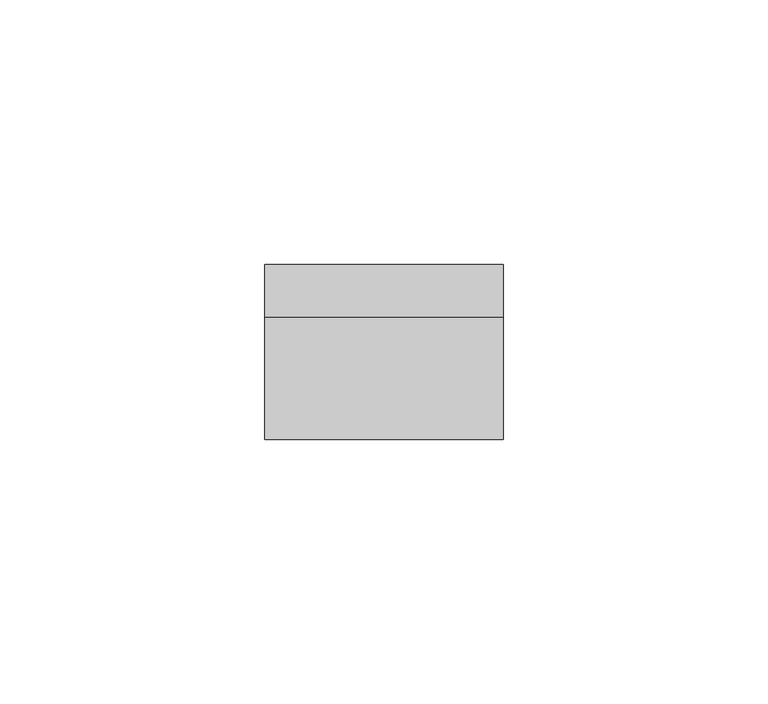
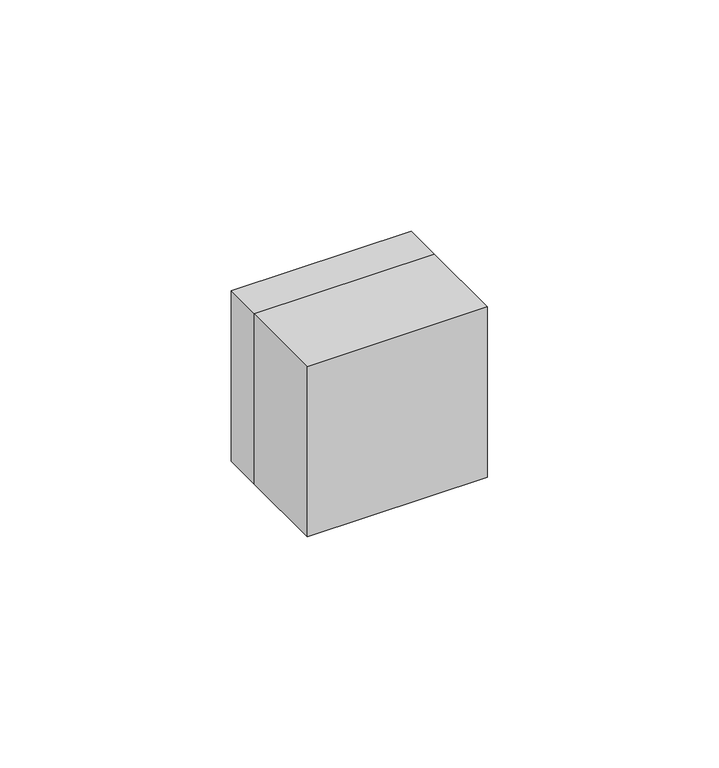
"""IFC4 building model written with IfcOpenShell, lengths in millimetres: electric appliance geometry."""

from ifc_helpers import new_model, si_unit, point, frame, origin, origin_2d, place, context, project, spatial, polyline, circle_curve, trimmed, segment, composite_curve, outline, extrude, source, transform, mapped, element, save


def electric_appliance_14777e9d(model_context):
    return source(origin(), model_context, "Body", "SweptSolid", [
        extrude(outline(composite_curve([segment(trimmed(circle_curve(origin_2d(), 1.9), [point((0.0, 1.9))], [point((0.0, -1.9))], False, "CARTESIAN"), True, "CONTINUOUS"), segment(trimmed(circle_curve(origin_2d(), 1.9), [point((0.0, -1.9))], [point((0.0, 1.9))], False, "CARTESIAN"), True, "CONTINUOUS")], self_intersect=False), holes=[composite_curve([segment(trimmed(circle_curve(origin_2d(), 1.6), [point((0.0, -1.6))], [point((0.0, 1.6))], True, "CARTESIAN"), True, "CONTINUOUS"), segment(trimmed(circle_curve(origin_2d(), 1.6), [point((0.0, 1.6))], [point((0.0, -1.6))], True, "CARTESIAN"), True, "CONTINUOUS")], self_intersect=False)]), frame((0.0, 0.0, 0.0), z_axis=(0.0, 1.0, 0.0), x_axis=(0.0, 0.0, 1.0)), (0.0, 0.0, 1.0), 10.0),
        extrude(outline(composite_curve([segment(trimmed(circle_curve(origin_2d(), 5.8), [point((0.0, 5.8))], [point((0.0, -5.8))], False, "CARTESIAN"), True, "CONTINUOUS"), segment(trimmed(circle_curve(origin_2d(), 5.8), [point((0.0, -5.8))], [point((0.0, 5.8))], False, "CARTESIAN"), True, "CONTINUOUS")], self_intersect=False), holes=[composite_curve([segment(trimmed(circle_curve(origin_2d(), 5.5), [point((0.0, 5.5))], [point((0.0, -5.5))], True, "CARTESIAN"), True, "CONTINUOUS"), segment(trimmed(circle_curve(origin_2d(), 5.5), [point((0.0, -5.5))], [point((0.0, 5.5))], True, "CARTESIAN"), True, "CONTINUOUS")], self_intersect=False)]), frame((0.0, 0.0, 0.0), z_axis=(0.0, 1.0, 0.0), x_axis=(0.0, 0.0, 1.0)), (0.0, 0.0, 1.0), 10.0),
        extrude(outline(polyline([(22.5, -23.0), (-22.5, -23.0), (-22.5, 0.0), (22.5, 0.0), (22.5, -23.0)])), frame((0.0, 0.0, -22.5), z_axis=(0.0, 0.0, 1.0), x_axis=(1.0, 0.0, 0.0)), (0.0, 0.0, 1.0), 45.0),
        extrude(outline(polyline([(22.5, 22.5), (22.5, -22.5), (-22.5, -22.5), (-22.5, 22.5), (22.5, 22.5)]), holes=[composite_curve([segment(trimmed(circle_curve(origin_2d(), 6.1), [point((0.0, 6.1))], [point((0.0, -6.1))], True, "CARTESIAN"), True, "CONTINUOUS"), segment(trimmed(circle_curve(origin_2d(), 6.1), [point((0.0, -6.1))], [point((0.0, 6.1))], True, "CARTESIAN"), True, "CONTINUOUS")], self_intersect=False)]), frame((0.0, 0.0, 0.0), z_axis=(0.0, 1.0, 0.0), x_axis=(0.0, 0.0, 1.0)), (0.0, 0.0, 1.0), 10.0),
    ])


if __name__ == "__main__":
    model = new_model("IFC4")
    model_context = context("Model", 3, world=origin())
    ifc_project = project(units=[si_unit("LENGTHUNIT", "METRE", prefix="MILLI")], contexts=[model_context])
    site = spatial("IfcSite", under=ifc_project)
    building = spatial("IfcBuilding", under=site)
    placement = place(None, origin())
    electric_appliance_shape = electric_appliance_14777e9d(model_context)
    element("IfcElectricAppliance", 1, at=placement, inside=building, context=model_context, shape_type="MappedRepresentation", body=[
        mapped(electric_appliance_shape, transform((0.0, 0.0, 0.0), x_axis=(1.0, 0.0, 0.0), y_axis=(0.0, 1.0, 0.0), z_axis=(0.0, 0.0, 1.0))),
    ])
    save(model, "model.ifc")
